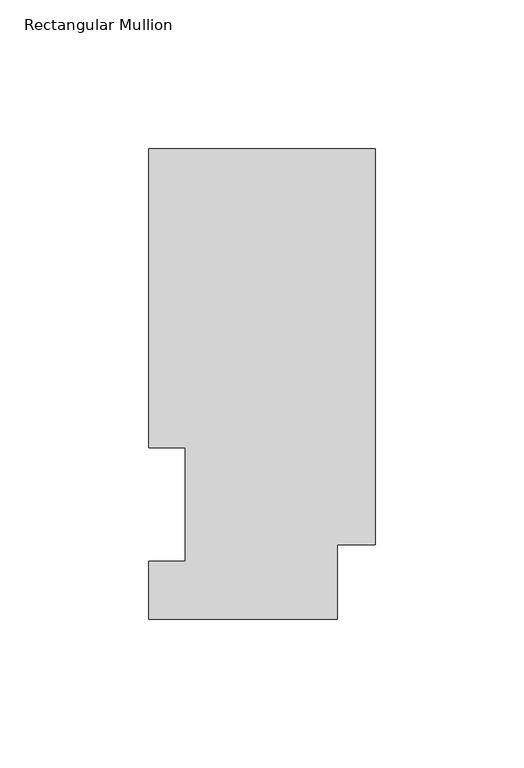
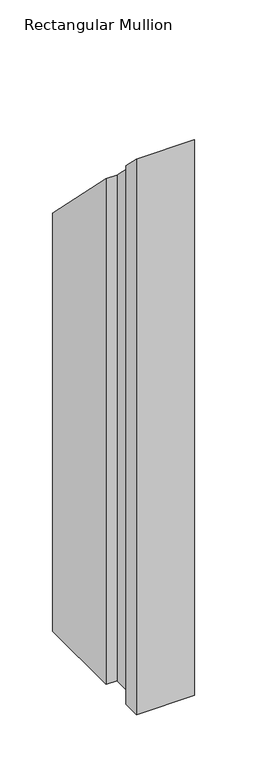
"""IFC4 building model written with IfcOpenShell, lengths in millimetres: member geometry, Rectangular Mullion."""

from ifc_helpers import new_model, si_unit, origin, place, context, project, spatial, faceted_brep, source, transform, mapped, element, save


def rectangular_mullion_68447d65(model_context):
    return source(origin(), model_context, "Body", "Brep", [
        faceted_brep([(0.0, 25.0832937, -641.35), (-12.7, 25.0832937, -641.35), (-12.7, 0.0134938, -641.35), (-76.2, 0.0134938, -641.35), (-76.2, 19.5460937, -641.35), (-63.8581605, 19.5460937, -641.35), (-63.8581605, 57.6460937, -641.35), (-76.2, 57.6460937, -641.35), (-76.2, 158.3316937, -641.35), (0.0, 158.3316937, -641.35), (0.0, 158.3316937, -158.3316937), (0.0, 25.0832937, -25.0832937), (-76.2, 158.3316937, -158.3316937), (-76.2, 57.6460937, -57.6460938), (-63.8581605, 57.6460938, -57.6460938), (-63.8581605, 19.5460937, -19.5460937), (-76.2, 19.5460937, -19.5460937), (-76.2, 0.0134938, -0.0134938), (-12.7, 0.0134938, -0.0134938), (-12.7, 25.0832937, -25.0832937)], [[[0, 1, 2, 3, 4, 5, 6, 7, 8, 9]], [[10, 11, 0, 9]], [[12, 10, 9, 8]], [[13, 12, 8, 7]], [[14, 13, 7, 6]], [[15, 14, 6, 5]], [[16, 15, 5, 4]], [[17, 16, 4, 3]], [[18, 17, 3, 2]], [[19, 18, 2, 1]], [[11, 19, 1, 0]], [[11, 10, 12, 13, 14, 15, 16, 17, 18, 19]]]),
    ])


if __name__ == "__main__":
    model = new_model("IFC4")
    model_context = context("Model", 3, world=origin())
    ifc_project = project(units=[si_unit("LENGTHUNIT", "METRE", prefix="MILLI")], contexts=[model_context])
    site = spatial("IfcSite", under=ifc_project)
    building = spatial("IfcBuilding", under=site)
    placement = place(None, origin())
    rectangular_mullion_shape = rectangular_mullion_68447d65(model_context)
    element("IfcMember", 1, ObjectType="Rectangular Mullion", at=placement, inside=building, context=model_context, shape_type="MappedRepresentation", body=[
        mapped(rectangular_mullion_shape, transform((0.0, 0.0, 0.0), x_axis=(1.0, 0.0, 0.0), y_axis=(0.0, 1.0, 0.0), z_axis=(0.0, 0.0, 1.0))),
    ])
    save(model, "model.ifc")
